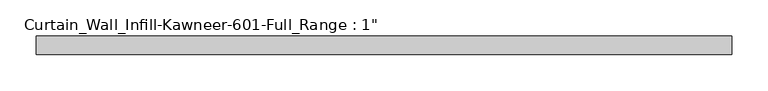
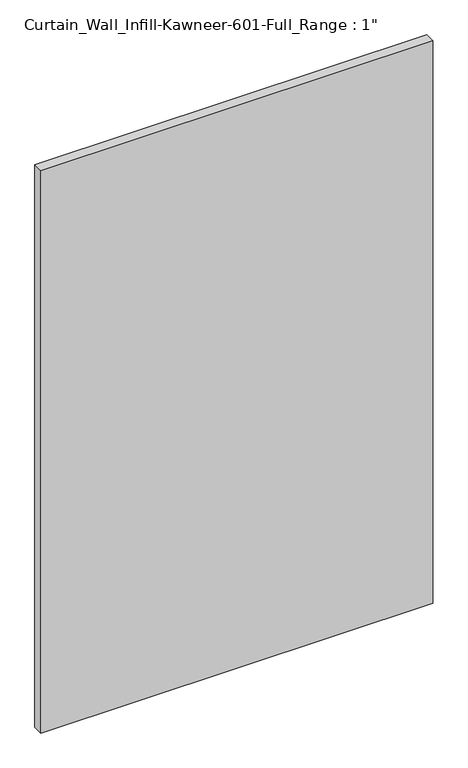
"""IFC4 building model written with IfcOpenShell, lengths in millimetres: plate geometry."""

from ifc_helpers import new_model, si_unit, origin, origin_with_axes, place, context, project, spatial, polyline, outline, extrude, source, transform, mapped, element, save


def plate_c6a8e023(model_context):
    return source(origin(), model_context, "Body", "SweptSolid", [
        extrude(outline(polyline([(-479.425, 12.7), (479.425, 12.7), (479.425, -12.7), (-479.425, -12.7), (-479.425, 12.7)])), origin_with_axes(), (0.0, 0.0, 1.0), 1454.15),
    ])


if __name__ == "__main__":
    model = new_model("IFC4")
    model_context = context("Model", 3, world=origin())
    ifc_project = project(units=[si_unit("LENGTHUNIT", "METRE", prefix="MILLI")], contexts=[model_context])
    site = spatial("IfcSite", under=ifc_project)
    building = spatial("IfcBuilding", under=site)
    placement = place(None, origin())
    plate_shape = plate_c6a8e023(model_context)
    element("IfcPlate", 1, ObjectType="Curtain_Wall_Infill-Kawneer-601-Full_Range : 1\"", at=placement, inside=building, context=model_context, shape_type="MappedRepresentation", body=[
        mapped(plate_shape, transform((0.0, 0.0, 0.0), x_axis=(1.0, 0.0, 0.0), y_axis=(0.0, 1.0, 0.0), z_axis=(0.0, 0.0, 1.0))),
    ])
    save(model, "model.ifc")
